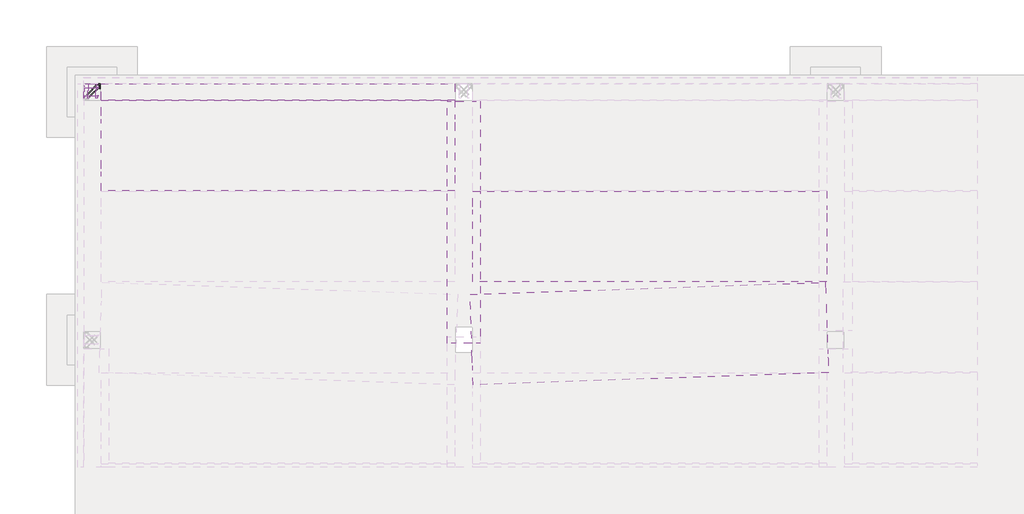
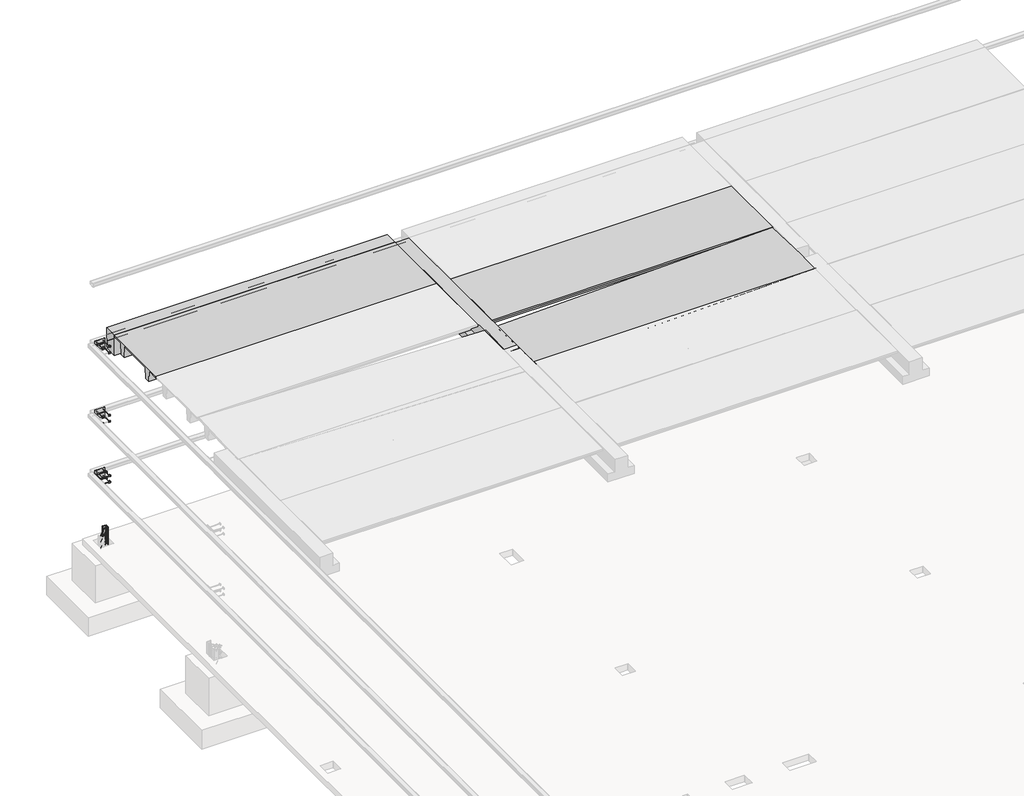
# One storey, part 34 of 65: 5 beams, 5 fasteners.
"""IFC4 building model written with IfcOpenShell, lengths in millimetres."""

import ifcopenshell
import ifcopenshell.guid

model = None  # the IFC model being written
_history = None  # IfcOwnerHistory: only IFC2X3 demands one
_inside = {}  # id of a spatial element -> (the spatial element, [elements in it])
_under = {}  # id of a project, library or spatial element -> (it, [spatial elements below it])
_declared = {}  # id of a project -> (the project, [libraries it declares])
_typed = {}  # id of a type object -> (the type object, [elements of that type])
_made_of = {}  # id of a material, layer set ... -> (it, [elements and type objects made of it])


def new_model(schema):
    """Start an empty IFC model of exactly this schema.

    Asked for "IFC4X3", IfcOpenShell would pick the latest addendum, in which some entities
    have other attributes; the version numbers below select the first issue.
    IFC2X3 requires an IfcOwnerHistory on every rooted entity: one is made here for all.
    """
    global model, _history
    if schema == "IFC4X3":
        model = ifcopenshell.file(schema_version=(4, 3, 0, 0))
    else:
        model = ifcopenshell.file(schema=schema)
    _inside.clear()
    _under.clear()
    _declared.clear()
    _typed.clear()
    _made_of.clear()
    _history = None
    if model.schema == "IFC2X3":
        org = make("IfcOrganization", Name="unknown")
        user = make(
            "IfcPersonAndOrganization",
            ThePerson=make("IfcPerson", FamilyName="unknown"),
            TheOrganization=org,
        )
        app = make(
            "IfcApplication",
            ApplicationDeveloper=org,
            Version="unknown",
            ApplicationFullName="unknown",
            ApplicationIdentifier="unknown",
        )
        _history = make(
            "IfcOwnerHistory",
            OwningUser=user,
            OwningApplication=app,
            ChangeAction="ADDED",
            CreationDate=0,
        )
    return model


def make(cls, **values):
    """One entity of the class cls with the attributes given. An attribute that is None is left unset."""
    return model.create_entity(
        cls, **{name: value for name, value in values.items() if value is not None}
    )


def rooted(cls, **values):
    """An entity with a GlobalId (a new one), such as an element, a storey or a relation."""
    return make(cls, GlobalId=ifcopenshell.guid.new(), OwnerHistory=_history, **values)


def si_unit(unit_type, name, prefix=None):
    """IfcSIUnit, for example si_unit("LENGTHUNIT", "METRE", prefix="MILLI")."""
    return make("IfcSIUnit", UnitType=unit_type, Prefix=prefix, Name=name)


def assignment(units):
    """IfcUnitAssignment: the units of a project."""
    return None if units is None else make("IfcUnitAssignment", Units=units)


def point(xyz):
    """IfcCartesianPoint."""
    return None if xyz is None else make("IfcCartesianPoint", Coordinates=xyz)


def direction(xyz):
    """IfcDirection."""
    return None if xyz is None else make("IfcDirection", DirectionRatios=xyz)


def frame(location, z_axis=None, x_axis=None):
    """IfcAxis2Placement3D, a coordinate frame: its origin and axes. An axis left out is left unset."""
    return make(
        "IfcAxis2Placement3D",
        Location=point(location),
        Axis=direction(z_axis),
        RefDirection=direction(x_axis),
    )


def frame_2d(location, x_axis=None):
    """IfcAxis2Placement2D, a coordinate frame in the plane: its origin and x axis."""
    return make(
        "IfcAxis2Placement2D", Location=point(location), RefDirection=direction(x_axis)
    )


def origin():
    """The frame at (0, 0, 0) with its axes left unset."""
    return frame((0.0, 0.0, 0.0))


def place(relative_to, where):
    """IfcLocalPlacement: puts the frame where relative to a parent placement (None: the world)."""
    return make(
        "IfcLocalPlacement", PlacementRelTo=relative_to, RelativePlacement=where
    )


def context(
    kind, dimensions, precision=None, world=None, true_north=None, identifier=None
):
    """IfcGeometricRepresentationContext, for example the 3D "Model" context."""
    return make(
        "IfcGeometricRepresentationContext",
        ContextIdentifier=identifier,
        ContextType=kind,
        CoordinateSpaceDimension=dimensions,
        Precision=precision,
        WorldCoordinateSystem=world,
        TrueNorth=true_north,
    )


def project(units=None, contexts=None):
    """IfcProject with its units and contexts."""
    return rooted(
        "IfcProject",
        Name="project",
        RepresentationContexts=contexts,
        UnitsInContext=assignment(units),
    )


def spatial(cls, under=None, at=None, **own):
    """A site, building, storey or space (cls), placed at a placement, below another one or the project."""
    s = rooted(cls, ObjectPlacement=at, **own)
    if under is not None:
        _under.setdefault(under.id(), (under, []))[1].append(s)
    return s


def polyline(points):
    """IfcPolyline through the points."""
    return make("IfcPolyline", Points=[point(p) for p in points])


def circle_curve(where, radius):
    """IfcCircle in the frame where."""
    return make("IfcCircle", Position=where, Radius=radius)


def ellipse_curve(where, semi_axis1, semi_axis2):
    """IfcEllipse in the frame where."""
    return make(
        "IfcEllipse", Position=where, SemiAxis1=semi_axis1, SemiAxis2=semi_axis2
    )


def trimmed(basis, trim1, trim2, sense, master):
    """IfcTrimmedCurve: the piece of a basis curve between two trims."""
    return make(
        "IfcTrimmedCurve",
        BasisCurve=basis,
        Trim1=trim1,
        Trim2=trim2,
        SenseAgreement=sense,
        MasterRepresentation=master,
    )


def segment(curve, same_sense, transition):
    """IfcCompositeCurveSegment."""
    return make(
        "IfcCompositeCurveSegment",
        Transition=transition,
        SameSense=same_sense,
        ParentCurve=curve,
    )


def composite_curve(segments, self_intersect=None):
    """IfcCompositeCurve: segments joined end to end."""
    return make("IfcCompositeCurve", Segments=segments, SelfIntersect=self_intersect)


def outline(outer, holes=None, kind="AREA"):
    """IfcArbitraryClosedProfileDef: a profile drawn as a closed curve; with holes, ...WithVoids."""
    if holes is None:
        return make("IfcArbitraryClosedProfileDef", ProfileType=kind, OuterCurve=outer)
    return make(
        "IfcArbitraryProfileDefWithVoids",
        ProfileType=kind,
        OuterCurve=outer,
        InnerCurves=holes,
    )


def extrude(swept, where, along, depth):
    """IfcExtrudedAreaSolid: the profile swept, set in the frame where, extruded along a direction by depth."""
    return make(
        "IfcExtrudedAreaSolid",
        SweptArea=swept,
        Position=where,
        ExtrudedDirection=direction(along),
        Depth=depth,
    )


def shape(context_of_items, identifier, shape_type, items):
    """IfcShapeRepresentation: the items that make up one representation, for example the "Body"."""
    return make(
        "IfcShapeRepresentation",
        ContextOfItems=context_of_items,
        RepresentationIdentifier=identifier,
        RepresentationType=shape_type,
        Items=items,
    )


def source(mapping_origin, context_of_items, identifier, shape_type, items):
    """IfcRepresentationMap: a shape defined once, which mapped items show again and again."""
    return make(
        "IfcRepresentationMap",
        MappingOrigin=mapping_origin,
        MappedRepresentation=shape(context_of_items, identifier, shape_type, items),
    )


def transform(
    local_origin,
    x_axis=None,
    y_axis=None,
    z_axis=None,
    scale=None,
    scale2=None,
    scale3=None,
    uniform=True,
):
    """IfcCartesianTransformationOperator3D, or its non-uniform kind. x_axis, y_axis, z_axis: its Axis1, 2, 3."""
    if uniform:
        return make(
            "IfcCartesianTransformationOperator3D",
            Axis1=direction(x_axis),
            Axis2=direction(y_axis),
            LocalOrigin=point(local_origin),
            Scale=scale,
            Axis3=direction(z_axis),
        )
    return make(
        "IfcCartesianTransformationOperator3DnonUniform",
        Axis1=direction(x_axis),
        Axis2=direction(y_axis),
        LocalOrigin=point(local_origin),
        Scale=scale,
        Axis3=direction(z_axis),
        Scale2=scale2,
        Scale3=scale3,
    )


def mapped(mapping_source, mapping_target):
    """IfcMappedItem: shows the shape of a source again, moved by a transform."""
    return make(
        "IfcMappedItem", MappingSource=mapping_source, MappingTarget=mapping_target
    )


def made_of(thing, what):
    """Note that an element or type object is made of a material, layer set ...; save() writes the relation."""
    if what is not None:
        _made_of.setdefault(what.id(), (what, []))[1].append(thing)
    return thing


def element(
    cls,
    number,
    at=None,
    inside=None,
    cuts=None,
    type_object=None,
    material=None,
    context=None,
    identifier="Body",
    shape_type=None,
    held_by="IfcProductDefinitionShape",
    body=None,
    shapes=None,
    **own,
):
    """One element of the class cls, such as IfcWall. Its Tag is "e" and its number.

    at: its placement. inside: the storey or other place that contains it. cuts: it is an
    opening in that element (IfcRelVoidsElement). A single representation is given by context,
    identifier, shape_type and body (its items); several are given by shapes. held_by: the class
    of the entity that holds the representations. save() writes the other relations.
    """
    e = rooted(cls, Tag="e%d" % number, ObjectPlacement=at, **own)
    if body is not None:
        shapes = [shape(context, identifier, shape_type, body)]
    if shapes is not None:
        e.Representation = make(held_by, Representations=shapes)
    if inside is not None:
        _inside.setdefault(inside.id(), (inside, []))[1].append(e)
    if cuts is not None:
        rooted(
            "IfcRelVoidsElement", RelatingBuildingElement=cuts, RelatedOpeningElement=e
        )
    if type_object is not None:
        _typed.setdefault(type_object.id(), (type_object, []))[1].append(e)
    return made_of(e, material)


def aggregate(whole, parts):
    """IfcRelAggregates: a whole, such as a stair, and the parts it consists of."""
    return rooted("IfcRelAggregates", RelatingObject=whole, RelatedObjects=parts)


def save(model, path):
    """Write the relations noted so far, then the file.

    IfcRelAggregates (storeys below a building ...), IfcRelContainedInSpatialStructure (elements
    in a storey), IfcRelDefinesByType, IfcRelAssociatesMaterial and IfcRelDeclares: one each for
    every whole, place, type object, material and project.
    """
    for whole, parts in _under.values():
        aggregate(whole, parts)
    for where, things in _inside.values():
        rooted(
            "IfcRelContainedInSpatialStructure",
            RelatedElements=things,
            RelatingStructure=where,
        )
    for kind, things in _typed.values():
        rooted("IfcRelDefinesByType", RelatedObjects=things, RelatingType=kind)
    for what, things in _made_of.values():
        rooted("IfcRelAssociatesMaterial", RelatedObjects=things, RelatingMaterial=what)
    for by, libraries in _declared.values():
        rooted("IfcRelDeclares", RelatingContext=by, RelatedDefinitions=libraries)
    model.write(path)


def plane_surface(at):
    """IfcPlane: the flat surface through the origin of the frame at, square to its z axis."""
    return make("IfcPlane", Position=at)


def cylinder_surface(at, radius):
    """IfcCylindricalSurface: all points at the distance radius from the z axis of the frame at."""
    return make("IfcCylindricalSurface", Position=at, Radius=radius)


def revolved_surface(curve, axis_point, axis_direction):
    """IfcSurfaceOfRevolution: the curve turned about the line through axis_point along axis_direction."""
    return make(
        "IfcSurfaceOfRevolution",
        SweptCurve=make("IfcArbitraryOpenProfileDef", ProfileType="CURVE", Curve=curve),
        AxisPosition=make("IfcAxis1Placement", Location=point(axis_point), Axis=direction(axis_direction)),
    )


def advanced_brep(points, edges, surfaces, faces):
    """IfcAdvancedBrep: a solid bounded by faces that lie on surfaces and meet in shared edges.

    An edge is (start, end): straight between two places in points (the first is 0);
    or (start, end, curve); or (start, end, curve, False) where it runs against its curve.
    A face is (place in surfaces, loops), or (place, loops, False) where it looks against
    its surface's normal. A loop lists edges by number (the first is 1), with a minus sign
    where the edge is run from its end to its start. The first loop is the outer one.
    """
    corners = [point(p) for p in points]
    vertices = [make("IfcVertexPoint", VertexGeometry=c) for c in corners]
    made = []
    for start, end, *more in edges:
        made.append(
            make(
                "IfcEdgeCurve",
                EdgeStart=vertices[start],
                EdgeEnd=vertices[end],
                EdgeGeometry=more[0] if more else make("IfcPolyline", Points=[corners[start], corners[end]]),
                SameSense=more[1] if len(more) > 1 else True,
            )
        )
    hull = []
    for where, loops, *sense in faces:
        bounds = []
        for j, loop in enumerate(loops):
            ring = [make("IfcOrientedEdge", EdgeElement=made[abs(k) - 1], Orientation=k > 0) for k in loop]
            bounds.append(
                make(
                    "IfcFaceOuterBound" if j == 0 else "IfcFaceBound",
                    Bound=make("IfcEdgeLoop", EdgeList=ring),
                    Orientation=True,
                )
            )
        hull.append(make("IfcAdvancedFace", Bounds=bounds, FaceSurface=surfaces[where], SameSense=sense[0] if sense else True))
    return make("IfcAdvancedBrep", Outer=make("IfcClosedShell", CfsFaces=hull))


def precast_double_tee_2t01_1280_x_400mm_w2190mm_a1604d25(model_context):
    return source(origin(), model_context, "Body", "SweptSolid", [
        extrude(outline(polyline([(1095.0, 200.0), (1095.0, 150.0), (745.4, 150.0), (720.0, -200.0), (560.0, -200.0), (534.6, 150.0), (-534.6, 150.0), (-560.0, -200.0), (-720.0, -200.0), (-745.4, 150.0), (-1095.0, 150.0), (-1095.0, 200.0), (1095.0, 200.0)])), frame((-4280.0, 0.0, 0.0), z_axis=(1.0, 0.0, 0.0), x_axis=(0.0, 1.0, 0.0)), (0.0, 0.0, 1.0), 8560.0),
    ])


def precast_double_tee_2t01_1280_x_400mm_w2190mm_f8bbf410(model_context):
    return source(origin(), model_context, "Body", "SweptSolid", [
        extrude(outline(polyline([(1095.0, 200.0), (1095.0, 150.0), (745.4, 150.0), (720.0, -200.0), (560.0, -200.0), (534.6, 150.0), (-534.6, 150.0), (-560.0, -200.0), (-720.0, -200.0), (-745.4, 150.0), (-1095.0, 150.0), (-1095.0, 200.0), (1095.0, 200.0)])), frame((-4313.5, 0.0, 0.0), z_axis=(1.0, 0.0, 0.0), x_axis=(0.0, 1.0, 0.0)), (0.0, 0.0, 1.0), 8606.0),
    ])


def precast_inverted_tee_800_it_650_bd29b969(model_context):
    return source(origin(), model_context, "Body", "SweptSolid", [
        extrude(outline(polyline([(400.0, -325.0), (-400.0, -325.0), (-400.0, -75.0), (-200.0, -75.0), (-200.0, 325.0), (200.0, 325.0), (200.0, -75.0), (400.0, -75.0), (400.0, -325.0)])), frame((-3080.0, 0.0, 0.0), z_axis=(1.0, 0.0, 0.0), x_axis=(0.0, 1.0, 0.0)), (0.0, 0.0, 1.0), 5860.0),
    ])


def precast_rectangular_beam_400x650_d7f3cc5a(model_context):
    return source(origin(), model_context, "Body", "SweptSolid", [
        extrude(outline(polyline([(-4280.0, -200.0), (-4280.0, 200.0), (4280.0, 200.0), (4280.0, -200.0), (-4280.0, -200.0)])), frame((0.0, 0.0, -325.0), z_axis=(0.0, 0.0, 1.0), x_axis=(1.0, 0.0, 0.0)), (0.0, 0.0, 1.0), 650.0),
    ])


model = new_model("IFC4")

# Units and contexts
model_context = context("Model", 3, world=origin())
ifc_project = project(units=[si_unit("LENGTHUNIT", "METRE", prefix="MILLI")], contexts=[model_context])

# Site, building, storey
site = spatial("IfcSite", under=ifc_project)
building = spatial("IfcBuilding", under=site)
storey = spatial("IfcBuildingStorey", under=building, Elevation=0.0)

# Beams
placement = place(None, origin())
precast_double_tee_2t01_1280_x_400mm_w2190mm_shape = precast_double_tee_2t01_1280_x_400mm_w2190mm_a1604d25(model_context)
element("IfcBeam", 1, ObjectType="Precast - Double Tee : 2T01_1280 x 400mm W2190mm", at=placement, inside=storey, context=model_context, shape_type="MappedRepresentation", body=[
    mapped(precast_double_tee_2t01_1280_x_400mm_w2190mm_shape, transform((14500.0, 37505.0, 6520.0), x_axis=(1.0, 0.0, 0.0), y_axis=(0.0, 1.0, 0.0), z_axis=(0.0, 0.0, 1.0))),
])
element("IfcBeam", 2, ObjectType="Precast - Double Tee : 2T01_1280 x 400mm W2190mm", at=placement, inside=storey, context=model_context, shape_type="MappedRepresentation", body=[
    mapped(precast_double_tee_2t01_1280_x_400mm_w2190mm_shape, transform((23500.0, 35305.0, 6520.0), x_axis=(1.0, 0.0, 0.0), y_axis=(0.0, 1.0, 0.0), z_axis=(0.0, 0.0, 1.0))),
])
precast_double_tee_2t01_1280_x_400mm_w2190mm_2_shape = precast_double_tee_2t01_1280_x_400mm_w2190mm_f8bbf410(model_context)
element("IfcBeam", 3, ObjectType="Precast - Double Tee : 2T01_1280 x 400mm W2190mm", at=placement, inside=storey, context=model_context, shape_type="MappedRepresentation", body=[
    mapped(precast_double_tee_2t01_1280_x_400mm_w2190mm_2_shape, transform((23500.0, 32952.5, 6520.0), x_axis=(0.9994262657394255, 0.03386944567227622, 0.0), y_axis=(-0.03386944567227622, 0.9994262657394255, 0.0), z_axis=(0.0, 0.0, 1.0))),
])
precast_inverted_tee_800_it_650_shape = precast_inverted_tee_800_it_650_bd29b969(model_context)
element("IfcBeam", 4, ObjectType="Precast - Inverted Tee : 800 IT 650", at=placement, inside=storey, context=model_context, shape_type="MappedRepresentation", body=[
    mapped(precast_inverted_tee_800_it_650_shape, transform((19000.0, 35800.0, 6395.0), x_axis=(0.0, 1.0, 0.0), y_axis=(-1.0, 0.0, 0.0), z_axis=(0.0, 0.0, 1.0))),
])
precast_rectangular_beam_400x650_shape = precast_rectangular_beam_400x650_d7f3cc5a(model_context)
element("IfcBeam", 5, ObjectType="Precast-Rectangular Beam : 400x650", at=placement, inside=storey, context=model_context, shape_type="MappedRepresentation", body=[
    mapped(precast_rectangular_beam_400x650_shape, transform((14500.0, 38800.0, 6395.0), x_axis=(1.0, 0.0, 0.0), y_axis=(0.0, 1.0, 0.0), z_axis=(0.0, 0.0, 1.0))),
])

# Fasteners
element("IfcFastener", 6, at=placement, inside=storey, context=model_context, shape_type="SolidModel", body=[
    advanced_brep(
    [(9947.4623741, 38682.5628791, -120.0), (9937.5628791, 38692.4623741, -120.0), (9882.5628791, 38747.4623741, -120.0), (9892.4623741, 38737.5628791, -120.0), (10153.0, 38976.0, -120.0), (10153.0, 38990.0, -120.0), (10134.2132034, 38990.0, -120.0), (10134.2132034, 38976.0, -120.0), (10176.0, 38953.0, -120.0), (10190.0, 38953.0, -120.0), (10176.0, 38934.2132034, -120.0), (10190.0, 38934.2132034, -120.0), (10183.5563492, 38918.6568542, -120.0), (10173.6568543, 38928.5563492, -120.0), (10128.5563492, 38973.6568542, -120.0), (10118.6568543, 38983.5563492, -120.0)],
    [
        (0, 1, circle_curve(frame((9942.5126266, 38687.5126266, -120.0), z_axis=(-0.7071067811865482, -0.707106781186547, 0.0), x_axis=(-0.707106781186547, 0.7071067811865482, 0.0)), 7.0)),
        (1, 0, circle_curve(frame((9942.5126266, 38687.5126266, -120.0), z_axis=(-0.7071067811865482, -0.707106781186547, 0.0), x_axis=(-0.707106781186547, 0.7071067811865482, 0.0)), 7.0)),
        (2, 3, circle_curve(frame((9887.5126266, 38742.5126266, -120.0), z_axis=(-0.707106781186548, -0.707106781186547, 0.0), x_axis=(0.707106781186547, -0.707106781186548, 0.0)), 7.0)),
        (3, 2, circle_curve(frame((9887.5126266, 38742.5126266, -120.0), z_axis=(-0.707106781186548, -0.707106781186547, 0.0), x_axis=(0.707106781186547, -0.707106781186548, 0.0)), 7.0)),
        (4, 5, circle_curve(frame((10153.0, 38983.0, -120.0), z_axis=(-1.0, 0.0, 0.0), x_axis=(0.0, -1.0, 0.0)), 7.0)),
        (5, 6),
        (6, 7, circle_curve(frame((10134.2132034, 38983.0, -120.0), z_axis=(1.0, 0.0, 0.0), x_axis=(0.0, -1.0, 0.0)), 7.0)),
        (7, 4),
        (5, 4, circle_curve(frame((10153.0, 38983.0, -120.0), z_axis=(-1.0, 0.0, 0.0), x_axis=(0.0, -1.0, 0.0)), 7.0)),
        (7, 6, circle_curve(frame((10134.2132034, 38983.0, -120.0), z_axis=(1.0, 0.0, 0.0), x_axis=(0.0, -1.0, 0.0)), 7.0)),
        (4, 8, circle_curve(frame((10153.0, 38953.0, -120.0), z_axis=(0.0, 0.0, -1.0), x_axis=(1.0, 0.0, 0.0)), 23.0)),
        (8, 9, circle_curve(frame((10183.0, 38953.0, -120.0), z_axis=(0.0, 1.0, 0.0), x_axis=(-1.0, 0.0, 0.0)), 7.0)),
        (9, 5, circle_curve(frame((10153.0, 38953.0, -120.0), z_axis=(0.0, 0.0, 1.0), x_axis=(1.0, 0.0, 0.0)), 37.0)),
        (9, 8, circle_curve(frame((10183.0, 38953.0, -120.0), z_axis=(0.0, 1.0, 0.0), x_axis=(-1.0, 0.0, 0.0)), 7.0)),
        (10, 11, circle_curve(frame((10183.0, 38934.2132034, -120.0), z_axis=(0.0, 1.0, 0.0), x_axis=(-1.0, 0.0, 0.0)), 7.0)),
        (11, 9),
        (8, 10),
        (11, 10, circle_curve(frame((10183.0, 38934.2132034, -120.0), z_axis=(0.0, 1.0, 0.0), x_axis=(-1.0, 0.0, 0.0)), 7.0)),
        (0, 12),
        (12, 13, circle_curve(frame((10178.6066017, 38923.6066017, -120.0), z_axis=(-0.7071067811865482, -0.707106781186547, 0.0), x_axis=(-0.707106781186547, 0.7071067811865482, 0.0)), 7.0)),
        (13, 1),
        (13, 12, circle_curve(frame((10178.6066017, 38923.6066017, -120.0), z_axis=(-0.7071067811865482, -0.707106781186547, 0.0), x_axis=(-0.707106781186547, 0.7071067811865482, 0.0)), 7.0)),
        (10, 13, circle_curve(frame((10168.0, 38934.2132034, -120.0), z_axis=(0.0, 0.0, -1.0), x_axis=(0.7071067811865468, -0.7071067811865482, 0.0)), 8.0)),
        (12, 11, circle_curve(frame((10168.0, 38934.2132034, -120.0), z_axis=(0.0, 0.0, 1.0), x_axis=(0.7071067811865468, -0.7071067811865482, 0.0)), 22.0)),
        (14, 7, circle_curve(frame((10134.2132034, 38968.0, -120.0), z_axis=(0.0, 0.0, -1.0), x_axis=(0.0, 1.0, 0.0)), 8.0)),
        (6, 15, circle_curve(frame((10134.2132034, 38968.0, -120.0), z_axis=(0.0, 0.0, 1.0), x_axis=(0.0, 1.0, 0.0)), 22.0)),
        (15, 14, circle_curve(frame((10123.6066017, 38978.6066017, -120.0), z_axis=(0.7071067811865479, 0.7071067811865471, 0.0), x_axis=(0.7071067811865471, -0.7071067811865479, 0.0)), 7.0)),
        (14, 15, circle_curve(frame((10123.6066017, 38978.6066017, -120.0), z_axis=(0.7071067811865476, 0.7071067811865475, 0.0), x_axis=(0.7071067811865475, -0.7071067811865476, 0.0)), 7.0)),
        (15, 2),
        (3, 14),
    ],
    [
        plane_surface(frame((9942.5126266, 38687.5126266, -120.0), z_axis=(-0.7071067811865482, -0.707106781186547, 0.0), x_axis=(0.0, 0.0, 1.0))),
        plane_surface(frame((9887.5126266, 38742.5126266, -120.0), z_axis=(-0.707106781186548, -0.707106781186547, 0.0), x_axis=(0.0, 0.0, 1.0))),
        cylinder_surface(frame((10153.0, 38983.0, -120.0), z_axis=(1.0, 0.0, 0.0), x_axis=(0.0, -1.0, 0.0)), 7.0),
        revolved_surface(trimmed(ellipse_curve(frame((10183.0, 38953.0, -120.0), z_axis=(0.0, -1.0, 0.0), x_axis=(-1.0, 0.0, 0.0)), 7.0, 7.0), [point((10190.0, 38953.0, -120.0))], [point((10176.0, 38953.0, -120.0))], True, "CARTESIAN"), (10153.0, 38953.0, -120.0), (0.0, 0.0, 1.0)),
        revolved_surface(trimmed(ellipse_curve(frame((10183.0, 38953.0, -120.0), z_axis=(0.0, -1.0, 0.0), x_axis=(-1.0, 0.0, 0.0)), 7.0, 7.0), [point((10176.0, 38953.0, -120.0))], [point((10190.0, 38953.0, -120.0))], True, "CARTESIAN"), (10153.0, 38953.0, -120.0), (0.0, 0.0, 1.0)),
        cylinder_surface(frame((10183.0, 38934.2132034, -120.0), z_axis=(0.0, -1.0, 0.0), x_axis=(-1.0, 0.0, 0.0)), 7.0),
        cylinder_surface(frame((9942.5126266, 38687.5126266, -120.0), z_axis=(-0.7071067811865482, -0.707106781186547, 0.0), x_axis=(-0.707106781186547, 0.7071067811865482, 0.0)), 7.0),
        revolved_surface(trimmed(ellipse_curve(frame((10178.6066017, 38923.6066017, -120.0), z_axis=(-0.7071067811865482, -0.7071067811865468, 0.0), x_axis=(-0.7071067811865468, 0.7071067811865482, 0.0)), 7.0, 7.0), [point((10183.5563492, 38918.6568542, -120.0))], [point((10173.6568543, 38928.5563492, -120.0))], True, "CARTESIAN"), (10168.0, 38934.2132034, -120.0), (0.0, 0.0, 1.0)),
        revolved_surface(trimmed(ellipse_curve(frame((10178.6066017, 38923.6066017, -120.0), z_axis=(-0.7071067811865482, -0.7071067811865468, 0.0), x_axis=(-0.7071067811865468, 0.7071067811865482, 0.0)), 7.0, 7.0), [point((10173.6568543, 38928.5563492, -120.0))], [point((10183.5563492, 38918.6568542, -120.0))], True, "CARTESIAN"), (10168.0, 38934.2132034, -120.0), (0.0, 0.0, 1.0)),
        revolved_surface(trimmed(ellipse_curve(frame((10134.2132034, 38983.0, -120.0), z_axis=(1.0, 0.0, 0.0), x_axis=(0.0, -1.0, 0.0)), 7.0, 7.0), [point((10134.2132034, 38990.0, -120.0))], [point((10134.2132034, 38976.0, -120.0))], True, "CARTESIAN"), (10134.2132034, 38968.0, -120.0), (0.0, 0.0, 1.0)),
        revolved_surface(trimmed(ellipse_curve(frame((10134.2132034, 38983.0, -120.0), z_axis=(1.0, 0.0, 0.0), x_axis=(0.0, -1.0, 0.0)), 7.0, 7.0), [point((10134.2132034, 38976.0, -120.0))], [point((10134.2132034, 38990.0, -120.0))], True, "CARTESIAN"), (10134.2132034, 38968.0, -120.0), (0.0, 0.0, 1.0)),
        cylinder_surface(frame((10123.6066017, 38978.6066017, -120.0), z_axis=(0.707106781186548, 0.707106781186547, 0.0), x_axis=(0.707106781186547, -0.707106781186548, 0.0)), 7.0),
    ],
    [
        (0, [[1, 2]]),
        (1, [[3, 4]]),
        (2, [[5, 6, 7, 8]]),
        (2, [[9, -8, 10, -6]]),
        (3, [[11, 12, 13, -5]]),
        (4, [[-13, 14, -11, -9]]),
        (5, [[15, 16, -12, 17]]),
        (5, [[18, -17, -14, -16]]),
        (6, [[-1, 19, 20, 21]]),
        (6, [[-2, -21, 22, -19]]),
        (7, [[23, -20, 24, -15]]),
        (8, [[-24, -22, -23, -18]]),
        (9, [[25, -7, 26, 27]]),
        (10, [[-26, -10, -25, 28]]),
        (11, [[-27, 29, -4, 30]]),
        (11, [[-28, -30, -3, -29]]),
    ],
),
    advanced_brep(
    [(9937.5628791, 38692.4623741, 280.0), (9947.4623741, 38682.5628791, 280.0), (9892.4623741, 38737.5628791, 280.0), (9882.5628791, 38747.4623741, 280.0), (10153.0, 38990.0, 280.0), (10153.0, 38976.0, 280.0), (10134.2132034, 38976.0, 280.0), (10134.2132034, 38990.0, 280.0), (10190.0, 38953.0, 280.0), (10176.0, 38953.0, 280.0), (10190.0, 38934.2132034, 280.0), (10176.0, 38934.2132034, 280.0), (10173.6568543, 38928.5563492, 280.0), (10183.5563492, 38918.6568542, 280.0), (10118.6568543, 38983.5563492, 280.0), (10128.5563492, 38973.6568542, 280.0)],
    [
        (0, 1, circle_curve(frame((9942.5126266, 38687.5126266, 280.0), z_axis=(-0.7071067811865482, -0.707106781186547, 0.0), x_axis=(0.707106781186547, -0.7071067811865482, 0.0)), 7.0)),
        (1, 0, circle_curve(frame((9942.5126266, 38687.5126266, 280.0), z_axis=(-0.7071067811865482, -0.707106781186547, 0.0), x_axis=(0.707106781186547, -0.7071067811865482, 0.0)), 7.0)),
        (2, 3, circle_curve(frame((9887.5126266, 38742.5126266, 280.0), z_axis=(-0.7071067811865481, -0.707106781186547, 0.0), x_axis=(-0.707106781186547, 0.7071067811865481, 0.0)), 7.0)),
        (3, 2, circle_curve(frame((9887.5126266, 38742.5126266, 280.0), z_axis=(-0.7071067811865481, -0.707106781186547, 0.0), x_axis=(-0.707106781186547, 0.7071067811865481, 0.0)), 7.0)),
        (4, 5, circle_curve(frame((10153.0, 38983.0, 280.0), z_axis=(-1.0, 0.0, 0.0), x_axis=(0.0, 1.0, 0.0)), 7.0)),
        (5, 6),
        (6, 7, circle_curve(frame((10134.2132034, 38983.0, 280.0), z_axis=(1.0, 0.0, 0.0), x_axis=(0.0, 1.0, 0.0)), 7.0)),
        (7, 4),
        (5, 4, circle_curve(frame((10153.0, 38983.0, 280.0), z_axis=(-1.0, 0.0, 0.0), x_axis=(0.0, 1.0, 0.0)), 7.0)),
        (7, 6, circle_curve(frame((10134.2132034, 38983.0, 280.0), z_axis=(1.0, 0.0, 0.0), x_axis=(0.0, 1.0, 0.0)), 7.0)),
        (4, 8, circle_curve(frame((10153.0, 38953.0, 280.0), z_axis=(0.0, 0.0, -1.0), x_axis=(1.0, 0.0, 0.0)), 37.0)),
        (8, 9, circle_curve(frame((10183.0, 38953.0, 280.0), z_axis=(0.0, 1.0, 0.0), x_axis=(1.0, 0.0, 0.0)), 7.0)),
        (9, 5, circle_curve(frame((10153.0, 38953.0, 280.0), z_axis=(0.0, 0.0, 1.0), x_axis=(1.0, 0.0, 0.0)), 23.0)),
        (9, 8, circle_curve(frame((10183.0, 38953.0, 280.0), z_axis=(0.0, 1.0, 0.0), x_axis=(1.0, 0.0, 0.0)), 7.0)),
        (10, 11, circle_curve(frame((10183.0, 38934.2132034, 280.0), z_axis=(0.0, 1.0, 0.0), x_axis=(1.0, 0.0, 0.0)), 7.0)),
        (11, 9),
        (8, 10),
        (11, 10, circle_curve(frame((10183.0, 38934.2132034, 280.0), z_axis=(0.0, 1.0, 0.0), x_axis=(1.0, 0.0, 0.0)), 7.0)),
        (0, 12),
        (12, 13, circle_curve(frame((10178.6066017, 38923.6066017, 280.0), z_axis=(-0.7071067811865482, -0.707106781186547, 0.0), x_axis=(0.707106781186547, -0.7071067811865482, 0.0)), 7.0)),
        (13, 1),
        (13, 12, circle_curve(frame((10178.6066017, 38923.6066017, 280.0), z_axis=(-0.7071067811865482, -0.707106781186547, 0.0), x_axis=(0.707106781186547, -0.7071067811865482, 0.0)), 7.0)),
        (10, 13, circle_curve(frame((10168.0, 38934.2132034, 280.0), z_axis=(0.0, 0.0, -1.0), x_axis=(0.7071067811865468, -0.7071067811865482, 0.0)), 22.0)),
        (12, 11, circle_curve(frame((10168.0, 38934.2132034, 280.0), z_axis=(0.0, 0.0, 1.0), x_axis=(0.7071067811865468, -0.7071067811865482, 0.0)), 8.0)),
        (14, 7, circle_curve(frame((10134.2132034, 38968.0, 280.0), z_axis=(0.0, 0.0, -1.0), x_axis=(0.0, 1.0, 0.0)), 22.0)),
        (6, 15, circle_curve(frame((10134.2132034, 38968.0, 280.0), z_axis=(0.0, 0.0, 1.0), x_axis=(0.0, 1.0, 0.0)), 8.0)),
        (15, 14, circle_curve(frame((10123.6066017, 38978.6066017, 280.0), z_axis=(0.7071067811865464, 0.7071067811865487, 0.0), x_axis=(-0.7071067811865487, 0.7071067811865464, 0.0)), 7.0)),
        (14, 15, circle_curve(frame((10123.6066017, 38978.6066017, 280.0), z_axis=(0.7071067811865474, 0.7071067811865477, 0.0), x_axis=(-0.7071067811865477, 0.7071067811865474, 0.0)), 7.0)),
        (15, 2),
        (3, 14),
    ],
    [
        plane_surface(frame((9942.5126266, 38687.5126266, 280.0), z_axis=(-0.7071067811865482, -0.707106781186547, 0.0), x_axis=(0.0, 0.0, -1.0))),
        plane_surface(frame((9887.5126266, 38742.5126266, 280.0), z_axis=(-0.7071067811865481, -0.707106781186547, 0.0), x_axis=(0.0, 0.0, -1.0))),
        cylinder_surface(frame((10153.0, 38983.0, 280.0), z_axis=(1.0, 0.0, 0.0), x_axis=(0.0, 1.0, 0.0)), 7.0),
        revolved_surface(trimmed(ellipse_curve(frame((10183.0, 38953.0, 280.0), z_axis=(0.0, -1.0, 0.0), x_axis=(1.0, 0.0, 0.0)), 7.0, 7.0), [point((10176.0, 38953.0, 280.0))], [point((10190.0, 38953.0, 280.0))], True, "CARTESIAN"), (10153.0, 38953.0, 280.0), (0.0, 0.0, 1.0)),
        revolved_surface(trimmed(ellipse_curve(frame((10183.0, 38953.0, 280.0), z_axis=(0.0, -1.0, 0.0), x_axis=(1.0, 0.0, 0.0)), 7.0, 7.0), [point((10190.0, 38953.0, 280.0))], [point((10176.0, 38953.0, 280.0))], True, "CARTESIAN"), (10153.0, 38953.0, 280.0), (0.0, 0.0, 1.0)),
        cylinder_surface(frame((10183.0, 38934.2132034, 280.0), z_axis=(0.0, -1.0, 0.0), x_axis=(1.0, 0.0, 0.0)), 7.0),
        cylinder_surface(frame((9942.5126266, 38687.5126266, 280.0), z_axis=(-0.7071067811865482, -0.707106781186547, 0.0), x_axis=(0.707106781186547, -0.7071067811865482, 0.0)), 7.0),
        revolved_surface(trimmed(ellipse_curve(frame((10178.6066017, 38923.6066017, 280.0), z_axis=(-0.7071067811865482, -0.7071067811865468, 0.0), x_axis=(0.7071067811865468, -0.7071067811865482, 0.0)), 7.0, 7.0), [point((10173.6568543, 38928.5563492, 280.0))], [point((10183.5563492, 38918.6568542, 280.0))], True, "CARTESIAN"), (10168.0, 38934.2132034, 280.0), (0.0, 0.0, 1.0)),
        revolved_surface(trimmed(ellipse_curve(frame((10178.6066017, 38923.6066017, 280.0), z_axis=(-0.7071067811865482, -0.7071067811865468, 0.0), x_axis=(0.7071067811865468, -0.7071067811865482, 0.0)), 7.0, 7.0), [point((10183.5563492, 38918.6568542, 280.0))], [point((10173.6568543, 38928.5563492, 280.0))], True, "CARTESIAN"), (10168.0, 38934.2132034, 280.0), (0.0, 0.0, 1.0)),
        revolved_surface(trimmed(ellipse_curve(frame((10134.2132034, 38983.0, 280.0), z_axis=(1.0, 0.0, 0.0), x_axis=(0.0, 1.0, 0.0)), 7.0, 7.0), [point((10134.2132034, 38976.0, 280.0))], [point((10134.2132034, 38990.0, 280.0))], True, "CARTESIAN"), (10134.2132034, 38968.0, 280.0), (0.0, 0.0, 1.0)),
        revolved_surface(trimmed(ellipse_curve(frame((10134.2132034, 38983.0, 280.0), z_axis=(1.0, 0.0, 0.0), x_axis=(0.0, 1.0, 0.0)), 7.0, 7.0), [point((10134.2132034, 38990.0, 280.0))], [point((10134.2132034, 38976.0, 280.0))], True, "CARTESIAN"), (10134.2132034, 38968.0, 280.0), (0.0, 0.0, 1.0)),
        cylinder_surface(frame((10123.6066017, 38978.6066017, 280.0), z_axis=(0.7071067811865481, 0.707106781186547, 0.0), x_axis=(-0.707106781186547, 0.7071067811865481, 0.0)), 7.0),
    ],
    [
        (0, [[1, 2]]),
        (1, [[3, 4]]),
        (2, [[5, 6, 7, 8]]),
        (2, [[9, -8, 10, -6]]),
        (3, [[11, 12, 13, -5]]),
        (4, [[-13, 14, -11, -9]]),
        (5, [[15, 16, -12, 17]]),
        (5, [[18, -17, -14, -16]]),
        (6, [[-1, 19, 20, 21]]),
        (6, [[-2, -21, 22, -19]]),
        (7, [[23, -20, 24, -15]]),
        (8, [[-24, -22, -23, -18]]),
        (9, [[25, -7, 26, 27]]),
        (10, [[-26, -10, -25, 28]]),
        (11, [[-27, 29, -4, 30]]),
        (11, [[-28, -30, -3, -29]]),
    ],
),
    advanced_brep(
    [(9937.5628791, 38692.4623741, 80.0), (9947.4623741, 38682.5628791, 80.0), (9892.4623741, 38737.5628791, 80.0), (9882.5628791, 38747.4623741, 80.0), (10153.0, 38990.0, 80.0), (10153.0, 38976.0, 80.0), (10134.2132034, 38976.0, 80.0), (10134.2132034, 38990.0, 80.0), (10190.0, 38953.0, 80.0), (10176.0, 38953.0, 80.0), (10190.0, 38934.2132034, 80.0), (10176.0, 38934.2132034, 80.0), (10173.6568543, 38928.5563492, 80.0), (10183.5563492, 38918.6568542, 80.0), (10118.6568543, 38983.5563492, 80.0), (10128.5563492, 38973.6568542, 80.0)],
    [
        (0, 1, circle_curve(frame((9942.5126266, 38687.5126266, 80.0), z_axis=(-0.7071067811865481, -0.7071067811865469, 0.0), x_axis=(0.7071067811865469, -0.7071067811865481, 0.0)), 7.0)),
        (1, 0, circle_curve(frame((9942.5126266, 38687.5126266, 80.0), z_axis=(-0.7071067811865481, -0.7071067811865469, 0.0), x_axis=(0.7071067811865469, -0.7071067811865481, 0.0)), 7.0)),
        (2, 3, circle_curve(frame((9887.5126266, 38742.5126266, 80.0), z_axis=(-0.7071067811865481, -0.707106781186547, 0.0), x_axis=(-0.707106781186547, 0.7071067811865481, 0.0)), 7.0)),
        (3, 2, circle_curve(frame((9887.5126266, 38742.5126266, 80.0), z_axis=(-0.7071067811865481, -0.707106781186547, 0.0), x_axis=(-0.707106781186547, 0.7071067811865481, 0.0)), 7.0)),
        (4, 5, circle_curve(frame((10153.0, 38983.0, 80.0), z_axis=(-1.0, 0.0, 0.0), x_axis=(0.0, 1.0, 0.0)), 7.0)),
        (5, 6),
        (6, 7, circle_curve(frame((10134.2132034, 38983.0, 80.0), z_axis=(1.0, 0.0, 0.0), x_axis=(0.0, 1.0, 0.0)), 7.0)),
        (7, 4),
        (5, 4, circle_curve(frame((10153.0, 38983.0, 80.0), z_axis=(-1.0, 0.0, 0.0), x_axis=(0.0, 1.0, 0.0)), 7.0)),
        (7, 6, circle_curve(frame((10134.2132034, 38983.0, 80.0), z_axis=(1.0, 0.0, 0.0), x_axis=(0.0, 1.0, 0.0)), 7.0)),
        (4, 8, circle_curve(frame((10153.0, 38953.0, 80.0), z_axis=(0.0, 0.0, -1.0), x_axis=(1.0, 0.0, 0.0)), 37.0)),
        (8, 9, circle_curve(frame((10183.0, 38953.0, 80.0), z_axis=(0.0, 1.0, 0.0), x_axis=(1.0, 0.0, 0.0)), 7.0)),
        (9, 5, circle_curve(frame((10153.0, 38953.0, 80.0), z_axis=(0.0, 0.0, 1.0), x_axis=(1.0, 0.0, 0.0)), 23.0)),
        (9, 8, circle_curve(frame((10183.0, 38953.0, 80.0), z_axis=(0.0, 1.0, 0.0), x_axis=(1.0, 0.0, 0.0)), 7.0)),
        (10, 11, circle_curve(frame((10183.0, 38934.2132034, 80.0), z_axis=(0.0, 1.0, 0.0), x_axis=(1.0, 0.0, 0.0)), 7.0)),
        (11, 9),
        (8, 10),
        (11, 10, circle_curve(frame((10183.0, 38934.2132034, 80.0), z_axis=(0.0, 1.0, 0.0), x_axis=(1.0, 0.0, 0.0)), 7.0)),
        (0, 12),
        (12, 13, circle_curve(frame((10178.6066017, 38923.6066017, 80.0), z_axis=(-0.7071067811865481, -0.7071067811865469, 0.0), x_axis=(0.7071067811865469, -0.7071067811865481, 0.0)), 7.0)),
        (13, 1),
        (13, 12, circle_curve(frame((10178.6066017, 38923.6066017, 80.0), z_axis=(-0.7071067811865481, -0.7071067811865469, 0.0), x_axis=(0.7071067811865469, -0.7071067811865481, 0.0)), 7.0)),
        (10, 13, circle_curve(frame((10168.0, 38934.2132034, 80.0), z_axis=(0.0, 0.0, -1.0), x_axis=(0.7071067811865468, -0.7071067811865482, 0.0)), 22.0)),
        (12, 11, circle_curve(frame((10168.0, 38934.2132034, 80.0), z_axis=(0.0, 0.0, 1.0), x_axis=(0.7071067811865468, -0.7071067811865482, 0.0)), 8.0)),
        (14, 7, circle_curve(frame((10134.2132034, 38968.0, 80.0), z_axis=(0.0, 0.0, -1.0), x_axis=(0.0, 1.0, 0.0)), 22.0)),
        (6, 15, circle_curve(frame((10134.2132034, 38968.0, 80.0), z_axis=(0.0, 0.0, 1.0), x_axis=(0.0, 1.0, 0.0)), 8.0)),
        (15, 14, circle_curve(frame((10123.6066017, 38978.6066017, 80.0), z_axis=(0.707106781186548, 0.707106781186547, 0.0), x_axis=(-0.707106781186547, 0.707106781186548, 0.0)), 7.0)),
        (14, 15, circle_curve(frame((10123.6066017, 38978.6066017, 80.0), z_axis=(0.7071067811865479, 0.7071067811865471, 0.0), x_axis=(-0.7071067811865471, 0.7071067811865479, 0.0)), 7.0)),
        (15, 2),
        (3, 14),
    ],
    [
        plane_surface(frame((9942.5126266, 38687.5126266, 80.0), z_axis=(-0.7071067811865481, -0.7071067811865469, 0.0), x_axis=(0.0, 0.0, -1.0))),
        plane_surface(frame((9887.5126266, 38742.5126266, 80.0), z_axis=(-0.707106781186548, -0.7071067811865471, 0.0), x_axis=(0.0, 0.0, -1.0))),
        cylinder_surface(frame((10153.0, 38983.0, 80.0), z_axis=(1.0, 0.0, 0.0), x_axis=(0.0, 1.0, 0.0)), 7.0),
        revolved_surface(trimmed(ellipse_curve(frame((10183.0, 38953.0, 80.0), z_axis=(0.0, -1.0, 0.0), x_axis=(1.0, 0.0, 0.0)), 7.0, 7.0), [point((10176.0, 38953.0, 80.0))], [point((10190.0, 38953.0, 80.0))], True, "CARTESIAN"), (10153.0, 38953.0, 80.0), (0.0, 0.0, 1.0)),
        revolved_surface(trimmed(ellipse_curve(frame((10183.0, 38953.0, 80.0), z_axis=(0.0, -1.0, 0.0), x_axis=(1.0, 0.0, 0.0)), 7.0, 7.0), [point((10190.0, 38953.0, 80.0))], [point((10176.0, 38953.0, 80.0))], True, "CARTESIAN"), (10153.0, 38953.0, 80.0), (0.0, 0.0, 1.0)),
        cylinder_surface(frame((10183.0, 38934.2132034, 80.0), z_axis=(0.0, -1.0, 0.0), x_axis=(1.0, 0.0, 0.0)), 7.0),
        cylinder_surface(frame((9942.5126266, 38687.5126266, 80.0), z_axis=(-0.7071067811865481, -0.7071067811865469, 0.0), x_axis=(0.7071067811865469, -0.7071067811865481, 0.0)), 7.0),
        revolved_surface(trimmed(ellipse_curve(frame((10178.6066017, 38923.6066017, 80.0), z_axis=(-0.7071067811865483, -0.7071067811865467, 0.0), x_axis=(0.7071067811865467, -0.7071067811865483, 0.0)), 7.0, 7.0), [point((10173.6568543, 38928.5563492, 80.0))], [point((10183.5563492, 38918.6568542, 80.0))], True, "CARTESIAN"), (10168.0, 38934.2132034, 80.0), (0.0, 0.0, 1.0)),
        revolved_surface(trimmed(ellipse_curve(frame((10178.6066017, 38923.6066017, 80.0), z_axis=(-0.7071067811865483, -0.7071067811865467, 0.0), x_axis=(0.7071067811865467, -0.7071067811865483, 0.0)), 7.0, 7.0), [point((10183.5563492, 38918.6568542, 80.0))], [point((10173.6568543, 38928.5563492, 80.0))], True, "CARTESIAN"), (10168.0, 38934.2132034, 80.0), (0.0, 0.0, 1.0)),
        revolved_surface(trimmed(ellipse_curve(frame((10134.2132034, 38983.0, 80.0), z_axis=(1.0, 0.0, 0.0), x_axis=(0.0, 1.0, 0.0)), 7.0, 7.0), [point((10134.2132034, 38976.0, 80.0))], [point((10134.2132034, 38990.0, 80.0))], True, "CARTESIAN"), (10134.2132034, 38968.0, 80.0), (0.0, 0.0, 1.0)),
        revolved_surface(trimmed(ellipse_curve(frame((10134.2132034, 38983.0, 80.0), z_axis=(1.0, 0.0, 0.0), x_axis=(0.0, 1.0, 0.0)), 7.0, 7.0), [point((10134.2132034, 38990.0, 80.0))], [point((10134.2132034, 38976.0, 80.0))], True, "CARTESIAN"), (10134.2132034, 38968.0, 80.0), (0.0, 0.0, 1.0)),
        cylinder_surface(frame((10123.6066017, 38978.6066017, 80.0), z_axis=(0.7071067811865481, 0.707106781186547, 0.0), x_axis=(-0.707106781186547, 0.7071067811865481, 0.0)), 7.0),
    ],
    [
        (0, [[1, 2]]),
        (1, [[3, 4]]),
        (2, [[5, 6, 7, 8]]),
        (2, [[9, -8, 10, -6]]),
        (3, [[11, 12, 13, -5]]),
        (4, [[-13, 14, -11, -9]]),
        (5, [[15, 16, -12, 17]]),
        (5, [[18, -17, -14, -16]]),
        (6, [[-1, 19, 20, 21]]),
        (6, [[-2, -21, 22, -19]]),
        (7, [[23, -20, 24, -15]]),
        (8, [[-24, -22, -23, -18]]),
        (9, [[25, -7, 26, 27]]),
        (10, [[-26, -10, -25, 28]]),
        (11, [[-27, 29, -4, 30]]),
        (11, [[-28, -30, -3, -29]]),
    ],
),
    extrude(outline(composite_curve([segment(polyline([(10200.0, 39000.0), (10200.0, 38880.0), (10196.5, 38880.0)]), True, "CONTINUOUS"), segment(trimmed(circle_curve(frame_2d((10196.5, 38886.5)), 6.5), [point((10196.5, 38880.0))], [point((10190.0, 38886.5))], False, "CARTESIAN"), True, "CONTINUOUS"), segment(polyline([(10190.0, 38886.5), (10190.0, 38977.0)]), True, "CONTINUOUS"), segment(trimmed(circle_curve(frame_2d((10177.0, 38977.0)), 13.0), [point((10190.0, 38977.0))], [point((10177.0, 38990.0))], True, "CARTESIAN"), True, "CONTINUOUS"), segment(polyline([(10177.0, 38990.0), (10086.5, 38990.0)]), True, "CONTINUOUS"), segment(trimmed(circle_curve(frame_2d((10086.5, 38996.5)), 6.5), [point((10086.5, 38990.0))], [point((10080.0, 38996.5))], False, "CARTESIAN"), True, "CONTINUOUS"), segment(polyline([(10080.0, 38996.5), (10080.0, 39000.0), (10200.0, 39000.0)]), True, "CONTINUOUS")], self_intersect=False)), frame((0.0, 0.0, -200.0), z_axis=(0.0, 0.0, 1.0), x_axis=(1.0, 0.0, 0.0)), (0.0, 0.0, 1.0), 560.0),
])
element("IfcFastener", 7, ObjectType="ZC : ZC 1", at=placement, inside=storey, context=model_context, shape_type="SweptSolid", body=[
    extrude(outline(polyline([(9877.5, 38660.0), (9922.5, 38660.0), (9922.5, 38644.0), (9877.5, 38644.0), (9877.5, 38660.0)])), frame((0.0, 0.0, 3917.5), z_axis=(0.0, 0.0, 1.0), x_axis=(1.0, 0.0, 0.0)), (0.0, 0.0, 1.0), 45.0),
    extrude(outline(composite_curve([segment(trimmed(circle_curve(frame_2d((3940.0, 9900.0)), 7.0), [point((3940.0, 9893.0))], [point((3940.0, 9907.0))], False, "CARTESIAN"), True, "CONTINUOUS"), segment(trimmed(circle_curve(frame_2d((3940.0, 9900.0)), 7.0), [point((3940.0, 9907.0))], [point((3940.0, 9893.0))], False, "CARTESIAN"), True, "CONTINUOUS")], self_intersect=False)), frame((0.0, 38660.0, 0.0), z_axis=(0.0, 1.0, 0.0), x_axis=(0.0, 0.0, 1.0)), (0.0, 0.0, 1.0), 330.0),
    extrude(outline(polyline([(10077.5, 38660.0), (10122.5, 38660.0), (10122.5, 38644.0), (10077.5, 38644.0), (10077.5, 38660.0)])), frame((0.0, 0.0, 3917.5), z_axis=(0.0, 0.0, 1.0), x_axis=(1.0, 0.0, 0.0)), (0.0, 0.0, 1.0), 45.0),
    extrude(outline(composite_curve([segment(trimmed(circle_curve(frame_2d((3940.0, 10100.0)), 7.0), [point((3940.0, 10093.0))], [point((3940.0, 10107.0))], False, "CARTESIAN"), True, "CONTINUOUS"), segment(trimmed(circle_curve(frame_2d((3940.0, 10100.0)), 7.0), [point((3940.0, 10107.0))], [point((3940.0, 10093.0))], False, "CARTESIAN"), True, "CONTINUOUS")], self_intersect=False)), frame((0.0, 38660.0, 0.0), z_axis=(0.0, 1.0, 0.0), x_axis=(0.0, 0.0, 1.0)), (0.0, 0.0, 1.0), 330.0),
    extrude(outline(polyline([(9877.5, 38660.0), (9922.5, 38660.0), (9922.5, 38644.0), (9877.5, 38644.0), (9877.5, 38660.0)])), frame((0.0, 0.0, 4117.5), z_axis=(0.0, 0.0, 1.0), x_axis=(1.0, 0.0, 0.0)), (0.0, 0.0, 1.0), 45.0),
    extrude(outline(composite_curve([segment(trimmed(circle_curve(frame_2d((4140.0, 9900.0)), 7.0), [point((4140.0, 9893.0))], [point((4140.0, 9907.0))], False, "CARTESIAN"), True, "CONTINUOUS"), segment(trimmed(circle_curve(frame_2d((4140.0, 9900.0)), 7.0), [point((4140.0, 9907.0))], [point((4140.0, 9893.0))], False, "CARTESIAN"), True, "CONTINUOUS")], self_intersect=False)), frame((0.0, 38660.0, 0.0), z_axis=(0.0, 1.0, 0.0), x_axis=(0.0, 0.0, 1.0)), (0.0, 0.0, 1.0), 330.0),
    extrude(outline(polyline([(10077.5, 38660.0), (10122.5, 38660.0), (10122.5, 38644.0), (10077.5, 38644.0), (10077.5, 38660.0)])), frame((0.0, 0.0, 4117.5), z_axis=(0.0, 0.0, 1.0), x_axis=(1.0, 0.0, 0.0)), (0.0, 0.0, 1.0), 45.0),
    extrude(outline(composite_curve([segment(trimmed(circle_curve(frame_2d((4140.0, 10100.0)), 7.0), [point((4140.0, 10093.0))], [point((4140.0, 10107.0))], False, "CARTESIAN"), True, "CONTINUOUS"), segment(trimmed(circle_curve(frame_2d((4140.0, 10100.0)), 7.0), [point((4140.0, 10107.0))], [point((4140.0, 10093.0))], False, "CARTESIAN"), True, "CONTINUOUS")], self_intersect=False)), frame((0.0, 38660.0, 0.0), z_axis=(0.0, 1.0, 0.0), x_axis=(0.0, 0.0, 1.0)), (0.0, 0.0, 1.0), 330.0),
    extrude(outline(polyline([(9850.0, 39000.0), (10150.0, 39000.0), (10150.0, 38990.0), (9850.0, 38990.0), (9850.0, 39000.0)])), frame((0.0, 0.0, 3890.0), z_axis=(0.0, 0.0, 1.0), x_axis=(1.0, 0.0, 0.0)), (0.0, 0.0, 1.0), 300.0),
])
element("IfcFastener", 8, ObjectType="ZC : ZC 1", at=placement, inside=storey, context=model_context, shape_type="SweptSolid", body=[
    extrude(outline(polyline([(9877.5, 38660.0), (9922.5, 38660.0), (9922.5, 38644.0), (9877.5, 38644.0), (9877.5, 38660.0)])), frame((0.0, 0.0, 6137.5), z_axis=(0.0, 0.0, 1.0), x_axis=(1.0, 0.0, 0.0)), (0.0, 0.0, 1.0), 45.0),
    extrude(outline(composite_curve([segment(trimmed(circle_curve(frame_2d((6160.0, 9900.0)), 7.0), [point((6160.0, 9893.0))], [point((6160.0, 9907.0))], False, "CARTESIAN"), True, "CONTINUOUS"), segment(trimmed(circle_curve(frame_2d((6160.0, 9900.0)), 7.0), [point((6160.0, 9907.0))], [point((6160.0, 9893.0))], False, "CARTESIAN"), True, "CONTINUOUS")], self_intersect=False)), frame((0.0, 38660.0, 0.0), z_axis=(0.0, 1.0, 0.0), x_axis=(0.0, 0.0, 1.0)), (0.0, 0.0, 1.0), 330.0),
    extrude(outline(polyline([(10077.5, 38660.0), (10122.5, 38660.0), (10122.5, 38644.0), (10077.5, 38644.0), (10077.5, 38660.0)])), frame((0.0, 0.0, 6137.5), z_axis=(0.0, 0.0, 1.0), x_axis=(1.0, 0.0, 0.0)), (0.0, 0.0, 1.0), 45.0),
    extrude(outline(composite_curve([segment(trimmed(circle_curve(frame_2d((6160.0, 10100.0)), 7.0), [point((6160.0, 10093.0))], [point((6160.0, 10107.0))], False, "CARTESIAN"), True, "CONTINUOUS"), segment(trimmed(circle_curve(frame_2d((6160.0, 10100.0)), 7.0), [point((6160.0, 10107.0))], [point((6160.0, 10093.0))], False, "CARTESIAN"), True, "CONTINUOUS")], self_intersect=False)), frame((0.0, 38660.0, 0.0), z_axis=(0.0, 1.0, 0.0), x_axis=(0.0, 0.0, 1.0)), (0.0, 0.0, 1.0), 330.0),
    extrude(outline(polyline([(9877.5, 38660.0), (9922.5, 38660.0), (9922.5, 38644.0), (9877.5, 38644.0), (9877.5, 38660.0)])), frame((0.0, 0.0, 6337.5), z_axis=(0.0, 0.0, 1.0), x_axis=(1.0, 0.0, 0.0)), (0.0, 0.0, 1.0), 45.0),
    extrude(outline(composite_curve([segment(trimmed(circle_curve(frame_2d((6360.0, 9900.0)), 7.0), [point((6360.0, 9893.0))], [point((6360.0, 9907.0))], False, "CARTESIAN"), True, "CONTINUOUS"), segment(trimmed(circle_curve(frame_2d((6360.0, 9900.0)), 7.0), [point((6360.0, 9907.0))], [point((6360.0, 9893.0))], False, "CARTESIAN"), True, "CONTINUOUS")], self_intersect=False)), frame((0.0, 38660.0, 0.0), z_axis=(0.0, 1.0, 0.0), x_axis=(0.0, 0.0, 1.0)), (0.0, 0.0, 1.0), 330.0),
    extrude(outline(polyline([(10077.5, 38660.0), (10122.5, 38660.0), (10122.5, 38644.0), (10077.5, 38644.0), (10077.5, 38660.0)])), frame((0.0, 0.0, 6337.5), z_axis=(0.0, 0.0, 1.0), x_axis=(1.0, 0.0, 0.0)), (0.0, 0.0, 1.0), 45.0),
    extrude(outline(composite_curve([segment(trimmed(circle_curve(frame_2d((6360.0, 10100.0)), 7.0), [point((6360.0, 10093.0))], [point((6360.0, 10107.0))], False, "CARTESIAN"), True, "CONTINUOUS"), segment(trimmed(circle_curve(frame_2d((6360.0, 10100.0)), 7.0), [point((6360.0, 10107.0))], [point((6360.0, 10093.0))], False, "CARTESIAN"), True, "CONTINUOUS")], self_intersect=False)), frame((0.0, 38660.0, 0.0), z_axis=(0.0, 1.0, 0.0), x_axis=(0.0, 0.0, 1.0)), (0.0, 0.0, 1.0), 330.0),
    extrude(outline(polyline([(9850.0, 39000.0), (10150.0, 39000.0), (10150.0, 38990.0), (9850.0, 38990.0), (9850.0, 39000.0)])), frame((0.0, 0.0, 6110.0), z_axis=(0.0, 0.0, 1.0), x_axis=(1.0, 0.0, 0.0)), (0.0, 0.0, 1.0), 300.0),
])
element("IfcFastener", 9, ObjectType="ZC : ZC 1", at=placement, inside=storey, context=model_context, shape_type="SweptSolid", body=[
    extrude(outline(polyline([(10140.0, 38677.5), (10140.0, 38722.5), (10156.0, 38722.5), (10156.0, 38677.5), (10140.0, 38677.5)])), frame((0.0, 0.0, 1932.5), z_axis=(0.0, 0.0, 1.0), x_axis=(1.0, 0.0, 0.0)), (0.0, 0.0, 1.0), 45.0),
    extrude(outline(composite_curve([segment(trimmed(circle_curve(frame_2d((38700.0, 1955.0)), 7.0), [point((38693.0, 1955.0))], [point((38707.0, 1955.0))], False, "CARTESIAN"), True, "CONTINUOUS"), segment(trimmed(circle_curve(frame_2d((38700.0, 1955.0)), 7.0), [point((38707.0, 1955.0))], [point((38693.0, 1955.0))], False, "CARTESIAN"), True, "CONTINUOUS")], self_intersect=False)), frame((9810.0, 0.0, 0.0), z_axis=(1.0, 0.0, 0.0), x_axis=(0.0, 1.0, 0.0)), (0.0, 0.0, 1.0), 330.0),
    extrude(outline(polyline([(10140.0, 38877.5), (10140.0, 38922.5), (10156.0, 38922.5), (10156.0, 38877.5), (10140.0, 38877.5)])), frame((0.0, 0.0, 1932.5), z_axis=(0.0, 0.0, 1.0), x_axis=(1.0, 0.0, 0.0)), (0.0, 0.0, 1.0), 45.0),
    extrude(outline(composite_curve([segment(trimmed(circle_curve(frame_2d((38900.0, 1955.0)), 7.0), [point((38893.0, 1955.0))], [point((38907.0, 1955.0))], False, "CARTESIAN"), True, "CONTINUOUS"), segment(trimmed(circle_curve(frame_2d((38900.0, 1955.0)), 7.0), [point((38907.0, 1955.0))], [point((38893.0, 1955.0))], False, "CARTESIAN"), True, "CONTINUOUS")], self_intersect=False)), frame((9810.0, 0.0, 0.0), z_axis=(1.0, 0.0, 0.0), x_axis=(0.0, 1.0, 0.0)), (0.0, 0.0, 1.0), 330.0),
    extrude(outline(polyline([(10140.0, 38677.5), (10140.0, 38722.5), (10156.0, 38722.5), (10156.0, 38677.5), (10140.0, 38677.5)])), frame((0.0, 0.0, 2132.5), z_axis=(0.0, 0.0, 1.0), x_axis=(1.0, 0.0, 0.0)), (0.0, 0.0, 1.0), 45.0),
    extrude(outline(composite_curve([segment(trimmed(circle_curve(frame_2d((38700.0, 2155.0)), 7.0), [point((38693.0, 2155.0))], [point((38707.0, 2155.0))], False, "CARTESIAN"), True, "CONTINUOUS"), segment(trimmed(circle_curve(frame_2d((38700.0, 2155.0)), 7.0), [point((38707.0, 2155.0))], [point((38693.0, 2155.0))], False, "CARTESIAN"), True, "CONTINUOUS")], self_intersect=False)), frame((9810.0, 0.0, 0.0), z_axis=(1.0, 0.0, 0.0), x_axis=(0.0, 1.0, 0.0)), (0.0, 0.0, 1.0), 330.0),
    extrude(outline(polyline([(10140.0, 38877.5), (10140.0, 38922.5), (10156.0, 38922.5), (10156.0, 38877.5), (10140.0, 38877.5)])), frame((0.0, 0.0, 2132.5), z_axis=(0.0, 0.0, 1.0), x_axis=(1.0, 0.0, 0.0)), (0.0, 0.0, 1.0), 45.0),
    extrude(outline(composite_curve([segment(trimmed(circle_curve(frame_2d((38900.0, 2155.0)), 7.0), [point((38893.0, 2155.0))], [point((38907.0, 2155.0))], False, "CARTESIAN"), True, "CONTINUOUS"), segment(trimmed(circle_curve(frame_2d((38900.0, 2155.0)), 7.0), [point((38907.0, 2155.0))], [point((38893.0, 2155.0))], False, "CARTESIAN"), True, "CONTINUOUS")], self_intersect=False)), frame((9810.0, 0.0, 0.0), z_axis=(1.0, 0.0, 0.0), x_axis=(0.0, 1.0, 0.0)), (0.0, 0.0, 1.0), 330.0),
    extrude(outline(polyline([(9800.0, 38650.0), (9800.0, 38950.0), (9810.0, 38950.0), (9810.0, 38650.0), (9800.0, 38650.0)])), frame((0.0, 0.0, 1905.0), z_axis=(0.0, 0.0, 1.0), x_axis=(1.0, 0.0, 0.0)), (0.0, 0.0, 1.0), 300.0),
])
element("IfcFastener", 10, ObjectType="ZC : ZC 1", at=placement, inside=storey, context=model_context, shape_type="SweptSolid", body=[
    extrude(outline(polyline([(9877.5, 38660.0), (9922.5, 38660.0), (9922.5, 38644.0), (9877.5, 38644.0), (9877.5, 38660.0)])), frame((0.0, 0.0, 1962.5), z_axis=(0.0, 0.0, 1.0), x_axis=(1.0, 0.0, 0.0)), (0.0, 0.0, 1.0), 45.0),
    extrude(outline(composite_curve([segment(trimmed(circle_curve(frame_2d((1985.0, 9900.0)), 7.0), [point((1985.0, 9893.0))], [point((1985.0, 9907.0))], False, "CARTESIAN"), True, "CONTINUOUS"), segment(trimmed(circle_curve(frame_2d((1985.0, 9900.0)), 7.0), [point((1985.0, 9907.0))], [point((1985.0, 9893.0))], False, "CARTESIAN"), True, "CONTINUOUS")], self_intersect=False)), frame((0.0, 38660.0, 0.0), z_axis=(0.0, 1.0, 0.0), x_axis=(0.0, 0.0, 1.0)), (0.0, 0.0, 1.0), 330.0),
    extrude(outline(polyline([(10077.5, 38660.0), (10122.5, 38660.0), (10122.5, 38644.0), (10077.5, 38644.0), (10077.5, 38660.0)])), frame((0.0, 0.0, 1962.5), z_axis=(0.0, 0.0, 1.0), x_axis=(1.0, 0.0, 0.0)), (0.0, 0.0, 1.0), 45.0),
    extrude(outline(composite_curve([segment(trimmed(circle_curve(frame_2d((1985.0, 10100.0)), 7.0), [point((1985.0, 10093.0))], [point((1985.0, 10107.0))], False, "CARTESIAN"), True, "CONTINUOUS"), segment(trimmed(circle_curve(frame_2d((1985.0, 10100.0)), 7.0), [point((1985.0, 10107.0))], [point((1985.0, 10093.0))], False, "CARTESIAN"), True, "CONTINUOUS")], self_intersect=False)), frame((0.0, 38660.0, 0.0), z_axis=(0.0, 1.0, 0.0), x_axis=(0.0, 0.0, 1.0)), (0.0, 0.0, 1.0), 330.0),
    extrude(outline(polyline([(9877.5, 38660.0), (9922.5, 38660.0), (9922.5, 38644.0), (9877.5, 38644.0), (9877.5, 38660.0)])), frame((0.0, 0.0, 2162.5), z_axis=(0.0, 0.0, 1.0), x_axis=(1.0, 0.0, 0.0)), (0.0, 0.0, 1.0), 45.0),
    extrude(outline(composite_curve([segment(trimmed(circle_curve(frame_2d((2185.0, 9900.0)), 7.0), [point((2185.0, 9893.0))], [point((2185.0, 9907.0))], False, "CARTESIAN"), True, "CONTINUOUS"), segment(trimmed(circle_curve(frame_2d((2185.0, 9900.0)), 7.0), [point((2185.0, 9907.0))], [point((2185.0, 9893.0))], False, "CARTESIAN"), True, "CONTINUOUS")], self_intersect=False)), frame((0.0, 38660.0, 0.0), z_axis=(0.0, 1.0, 0.0), x_axis=(0.0, 0.0, 1.0)), (0.0, 0.0, 1.0), 330.0),
    extrude(outline(polyline([(10077.5, 38660.0), (10122.5, 38660.0), (10122.5, 38644.0), (10077.5, 38644.0), (10077.5, 38660.0)])), frame((0.0, 0.0, 2162.5), z_axis=(0.0, 0.0, 1.0), x_axis=(1.0, 0.0, 0.0)), (0.0, 0.0, 1.0), 45.0),
    extrude(outline(composite_curve([segment(trimmed(circle_curve(frame_2d((2185.0, 10100.0)), 7.0), [point((2185.0, 10093.0))], [point((2185.0, 10107.0))], False, "CARTESIAN"), True, "CONTINUOUS"), segment(trimmed(circle_curve(frame_2d((2185.0, 10100.0)), 7.0), [point((2185.0, 10107.0))], [point((2185.0, 10093.0))], False, "CARTESIAN"), True, "CONTINUOUS")], self_intersect=False)), frame((0.0, 38660.0, 0.0), z_axis=(0.0, 1.0, 0.0), x_axis=(0.0, 0.0, 1.0)), (0.0, 0.0, 1.0), 330.0),
    extrude(outline(polyline([(9850.0, 39000.0), (10150.0, 39000.0), (10150.0, 38990.0), (9850.0, 38990.0), (9850.0, 39000.0)])), frame((0.0, 0.0, 1935.0), z_axis=(0.0, 0.0, 1.0), x_axis=(1.0, 0.0, 0.0)), (0.0, 0.0, 1.0), 300.0),
])

save(model, "model.ifc")
